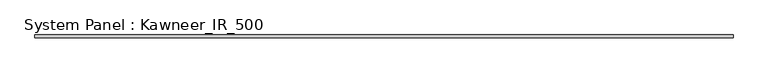
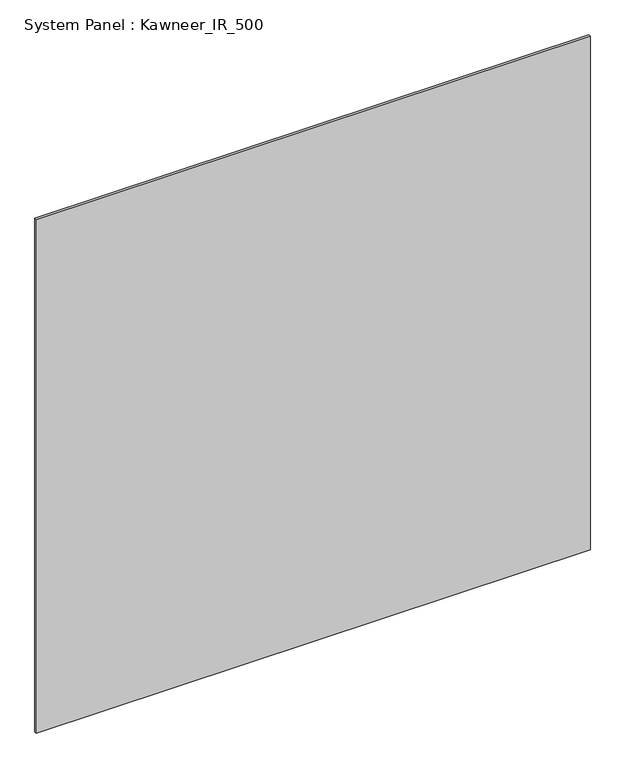
"""IFC4 building model written with IfcOpenShell, lengths in millimetres: plate geometry, System Panel : Kawneer_IR_500."""

from ifc_helpers import new_model, si_unit, origin, origin_with_axes, place, context, project, spatial, polyline, outline, extrude, source, transform, mapped, element, save


def system_panel_kawneer_ir_500_1b9d924c(model_context):
    return source(origin(), model_context, "Body", "SweptSolid", [
        extrude(outline(polyline([(730.1898669, -7.7), (-730.1898669, -7.7), (-730.1898669, -1.3), (730.1898669, -1.3), (730.1898669, -7.7)])), origin_with_axes(), (0.0, 0.0, 1.0), 1429.8806752),
    ])


if __name__ == "__main__":
    model = new_model("IFC4")
    model_context = context("Model", 3, world=origin())
    ifc_project = project(units=[si_unit("LENGTHUNIT", "METRE", prefix="MILLI")], contexts=[model_context])
    site = spatial("IfcSite", under=ifc_project)
    building = spatial("IfcBuilding", under=site)
    placement = place(None, origin())
    system_panel_kawneer_ir_500_shape = system_panel_kawneer_ir_500_1b9d924c(model_context)
    element("IfcPlate", 1, ObjectType="System Panel : Kawneer_IR_500", at=placement, inside=building, context=model_context, shape_type="MappedRepresentation", body=[
        mapped(system_panel_kawneer_ir_500_shape, transform((0.0, 0.0, 0.0), x_axis=(1.0, 0.0, 0.0), y_axis=(0.0, 1.0, 0.0), z_axis=(0.0, 0.0, 1.0))),
    ])
    save(model, "model.ifc")
